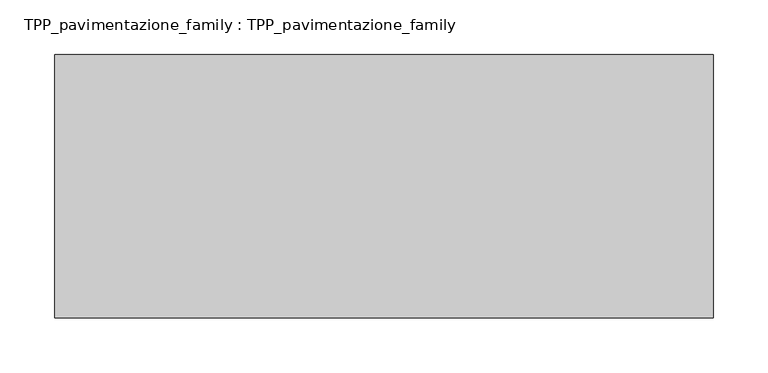
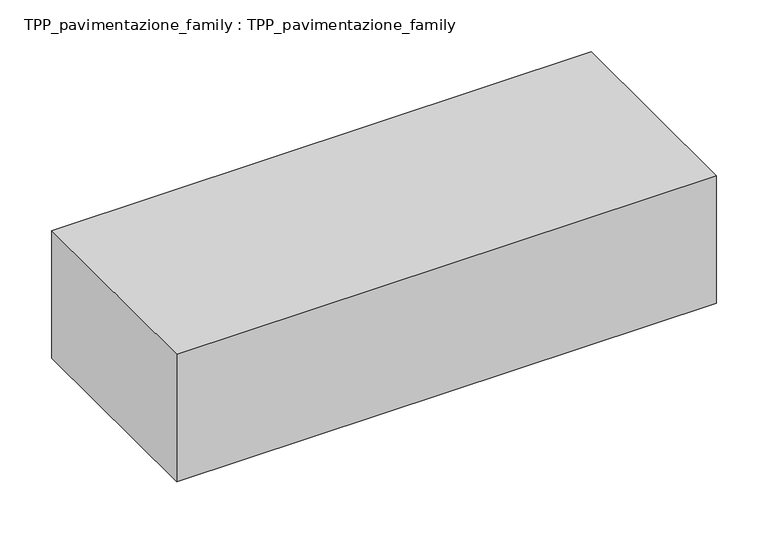
"""IFC4 building model written with IfcOpenShell, lengths in millimetres: proxy geometry, TPP_pavimentazione_family : TPP_pavimentazione_family."""

from ifc_helpers import new_model, si_unit, origin, origin_with_axes, place, context, project, spatial, polyline, outline, extrude, source, transform, mapped, element, save


def tpp_pavimentazione_family_tpp_pavimentazione_family_b507778f(model_context):
    return source(origin(), model_context, "Body", "SweptSolid", [
        extrude(outline(polyline([(511.8146187, 354.2201026), (511.8146187, 114.2201026), (-88.1853813, 114.2201026), (-88.1853813, 354.2201026), (511.8146187, 354.2201026)])), origin_with_axes(), (0.0, 0.0, 1.0), 150.0),
    ])


if __name__ == "__main__":
    model = new_model("IFC4")
    model_context = context("Model", 3, world=origin())
    ifc_project = project(units=[si_unit("LENGTHUNIT", "METRE", prefix="MILLI")], contexts=[model_context])
    site = spatial("IfcSite", under=ifc_project)
    building = spatial("IfcBuilding", under=site)
    placement = place(None, origin())
    tpp_pavimentazione_family_tpp_pavimentazione_family_shape = tpp_pavimentazione_family_tpp_pavimentazione_family_b507778f(model_context)
    element("IfcBuildingElementProxy", 1, Name="TPP_pavimentazione_family : TPP_pavimentazione_family", ObjectType="TPP_pavimentazione_family : TPP_pavimentazione_family", at=placement, inside=building, context=model_context, shape_type="MappedRepresentation", body=[
        mapped(tpp_pavimentazione_family_tpp_pavimentazione_family_shape, transform((0.0, 0.0, 0.0), x_axis=(1.0, 0.0, 0.0), y_axis=(0.0, 1.0, 0.0), z_axis=(0.0, 0.0, 1.0))),
    ])
    save(model, "model.ifc")
